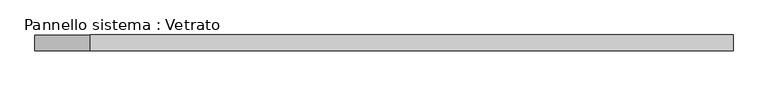
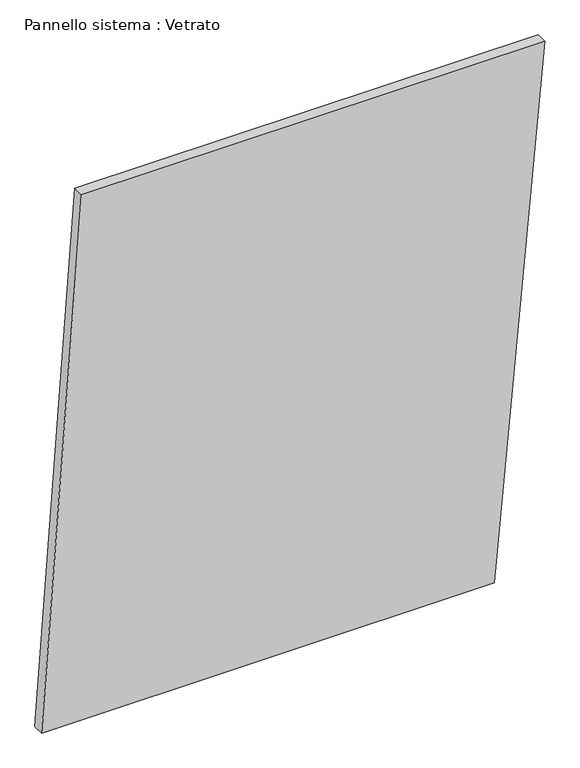
"""IFC4 building model written with IfcOpenShell, lengths in millimetres: plate geometry, Pannello sistema : Vetrato."""

from ifc_helpers import new_model, si_unit, frame, origin, place, context, project, spatial, polyline, outline, extrude, source, transform, mapped, element, save


def pannello_sistema_vetrato_44bdbaed(model_context):
    return source(origin(), model_context, "Body", "SweptSolid", [
        extrude(outline(polyline([(0.0, -660.3202073), (1.1000491, 528.5937025), (1457.0538093, 660.3202073), (1457.0538093, -555.435159), (0.0, -660.3202073)])), frame((0.0, -15.0, 0.0), z_axis=(0.0, 1.0, 0.0), x_axis=(0.0, 0.0, 1.0)), (0.0, 0.0, 1.0), 30.0),
    ])


if __name__ == "__main__":
    model = new_model("IFC4")
    model_context = context("Model", 3, world=origin())
    ifc_project = project(units=[si_unit("LENGTHUNIT", "METRE", prefix="MILLI")], contexts=[model_context])
    site = spatial("IfcSite", under=ifc_project)
    building = spatial("IfcBuilding", under=site)
    placement = place(None, origin())
    pannello_sistema_vetrato_shape = pannello_sistema_vetrato_44bdbaed(model_context)
    element("IfcPlate", 1, ObjectType="Pannello sistema : Vetrato", at=placement, inside=building, context=model_context, shape_type="MappedRepresentation", body=[
        mapped(pannello_sistema_vetrato_shape, transform((0.0, 0.0, 0.0), x_axis=(1.0, 0.0, 0.0), y_axis=(0.0, 1.0, 0.0), z_axis=(0.0, 0.0, 1.0))),
    ])
    save(model, "model.ifc")
